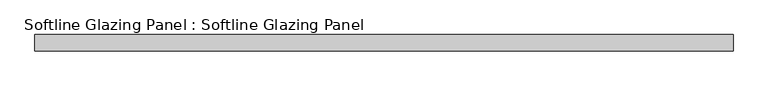
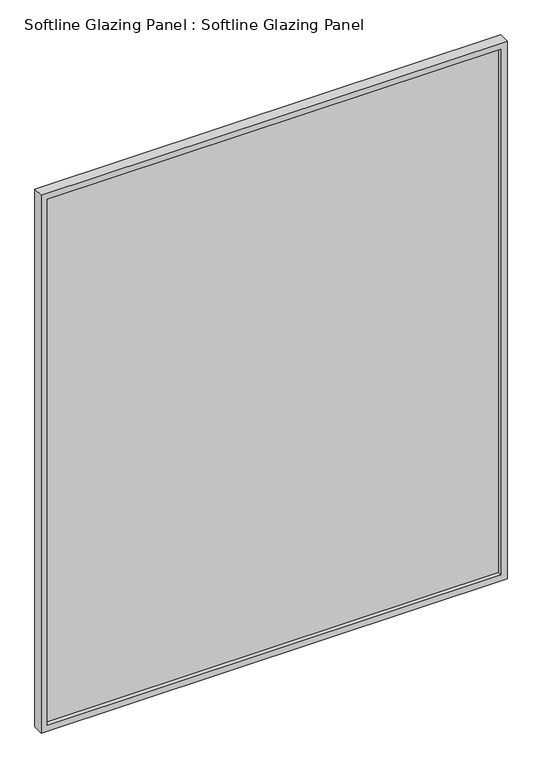
"""IFC4 building model written with IfcOpenShell, lengths in millimetres: plate geometry, Softline Glazing Panel : Softline Glazing Panel."""

from ifc_helpers import new_model, si_unit, frame, origin, place, context, project, spatial, polyline, outline, extrude, faceted_brep, source, transform, mapped, element, save


def softline_glazing_panel_softline_glazing_panel_71e694e3(model_context):
    return source(origin(), model_context, "Body", "SolidModel", [
        extrude(outline(polyline([(956.0, 4.0), (956.0, -4.0), (-956.0, -4.0), (-956.0, 4.0), (956.0, 4.0)])), frame((0.0, 0.0, 16.0), z_axis=(0.0, 0.0, 1.0), x_axis=(1.0, 0.0, 0.0)), (0.0, 0.0, 1.0), 2340.0),
        faceted_brep([(946.0, 4.0, 26.0), (946.0, 22.5, 26.0), (-946.0, 22.5, 26.0), (-946.0, 4.0, 26.0), (956.0, -4.0, 16.0), (956.0, 4.0, 16.0), (-956.0, 4.0, 16.0), (-956.0, -4.0, 16.0), (946.0, -22.5, 26.0), (946.0, -4.0, 26.0), (-946.0, -4.0, 26.0), (-946.0, -22.5, 26.0), (972.0, 22.5, 0.0), (972.0, -22.5, 0.0), (-972.0, -22.5, 0.0), (-972.0, 22.5, 0.0), (-946.0, 22.5, 2346.0), (-946.0, 4.0, 2346.0), (-956.0, 4.0, 2356.0), (-956.0, -4.0, 2356.0), (-946.0, -4.0, 2346.0), (-946.0, -22.5, 2346.0), (-972.0, -22.5, 2372.0), (-972.0, 22.5, 2372.0), (946.0, 22.5, 2346.0), (946.0, 4.0, 2346.0), (956.0, 4.0, 2356.0), (956.0, -4.0, 2356.0), (946.0, -4.0, 2346.0), (946.0, -22.5, 2346.0), (972.0, -22.5, 2372.0), (972.0, 22.5, 2372.0)], [[[0, 1, 2, 3]], [[4, 5, 6, 7]], [[8, 9, 10, 11]], [[12, 13, 14, 15]], [[3, 2, 16, 17]], [[7, 6, 18, 19]], [[11, 10, 20, 21]], [[15, 14, 22, 23]], [[17, 16, 24, 25]], [[19, 18, 26, 27]], [[21, 20, 28, 29]], [[23, 22, 30, 31]], [[15, 23, 31, 12], [1, 24, 16, 2]], [[25, 24, 1, 0]], [[5, 26, 18, 6], [3, 17, 25, 0]], [[27, 26, 5, 4]], [[7, 19, 27, 4], [9, 28, 20, 10]], [[29, 28, 9, 8]], [[13, 30, 22, 14], [11, 21, 29, 8]], [[31, 30, 13, 12]]]),
    ])


if __name__ == "__main__":
    model = new_model("IFC4")
    model_context = context("Model", 3, world=origin())
    ifc_project = project(units=[si_unit("LENGTHUNIT", "METRE", prefix="MILLI")], contexts=[model_context])
    site = spatial("IfcSite", under=ifc_project)
    building = spatial("IfcBuilding", under=site)
    placement = place(None, origin())
    softline_glazing_panel_softline_glazing_panel_shape = softline_glazing_panel_softline_glazing_panel_71e694e3(model_context)
    element("IfcPlate", 1, ObjectType="Softline Glazing Panel : Softline Glazing Panel", at=placement, inside=building, context=model_context, shape_type="MappedRepresentation", body=[
        mapped(softline_glazing_panel_softline_glazing_panel_shape, transform((0.0, 0.0, 0.0), x_axis=(1.0, 0.0, 0.0), y_axis=(0.0, 1.0, 0.0), z_axis=(0.0, 0.0, 1.0))),
    ])
    save(model, "model.ifc")
